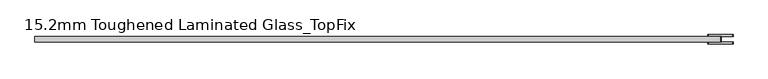
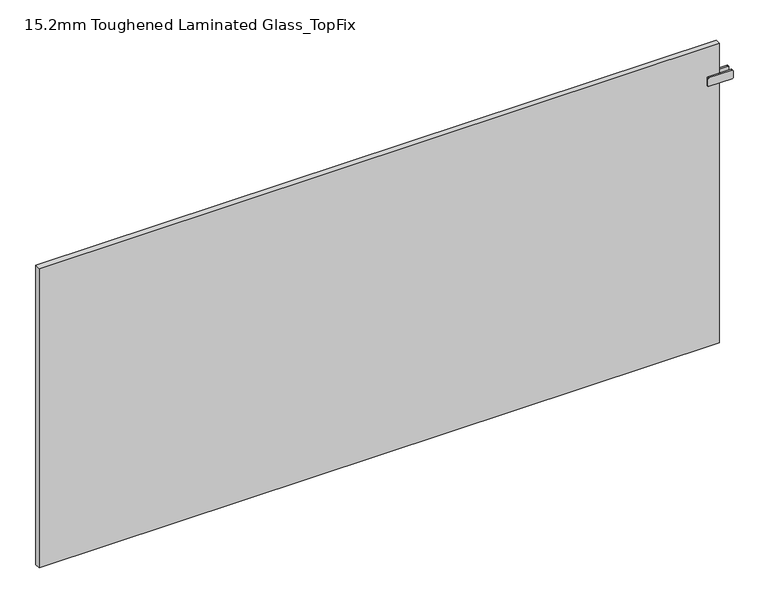
"""IFC4 building model written with IfcOpenShell, lengths in millimetres: plate geometry, 15.2mm Toughened Laminated Glass_TopFix."""

from ifc_helpers import new_model, si_unit, point, frame, frame_2d, origin, origin_with_axes, place, context, project, spatial, polyline, circle_curve, trimmed, segment, composite_curve, outline, extrude, source, transform, mapped, element, save


def plate_15_2mm_toughened_laminated_glass_topfix_6872a89c(model_context):
    return source(origin(), model_context, "Body", "SweptSolid", [
        extrude(outline(polyline([(947.5000001, -7.6), (942.5000001, -7.6), (942.5000001, 7.6), (947.5000001, 7.6), (947.5000001, -7.6)])), frame((0.0, 0.0, 766.5), z_axis=(0.0, 0.0, 1.0), x_axis=(1.0, 0.0, 0.0)), (0.0, 0.0, 1.0), 25.0),
        extrude(outline(composite_curve([segment(polyline([(766.5, 913.0000001), (766.5, 977.0000001)]), True, "CONTINUOUS"), segment(trimmed(circle_curve(frame_2d((769.5, 977.0000001)), 3.0), [point((766.5, 977.0000001))], [point((769.5, 980.0000001))], False, "CARTESIAN"), True, "CONTINUOUS"), segment(polyline([(769.5, 980.0000001), (788.5, 980.0000001)]), True, "CONTINUOUS"), segment(trimmed(circle_curve(frame_2d((788.5, 977.0000001)), 3.0), [point((788.5, 980.0000001))], [point((791.5, 977.0000001))], False, "CARTESIAN"), True, "CONTINUOUS"), segment(polyline([(791.5, 977.0000001), (791.5, 913.0000001)]), True, "CONTINUOUS"), segment(trimmed(circle_curve(frame_2d((788.5, 913.0000001)), 3.0), [point((791.5, 913.0000001))], [point((788.5, 910.0000001))], False, "CARTESIAN"), True, "CONTINUOUS"), segment(polyline([(788.5, 910.0000001), (769.5, 910.0000001)]), True, "CONTINUOUS"), segment(trimmed(circle_curve(frame_2d((769.5, 913.0000001)), 3.0), [point((769.5, 910.0000001))], [point((766.5, 913.0000001))], False, "CARTESIAN"), True, "CONTINUOUS")], self_intersect=False)), frame((0.0, 7.6, 0.0), z_axis=(0.0, 1.0, 0.0), x_axis=(0.0, 0.0, 1.0)), (0.0, 0.0, 1.0), 5.0),
        extrude(outline(composite_curve([segment(polyline([(766.5, 913.0000001), (766.5, 977.0000001)]), True, "CONTINUOUS"), segment(trimmed(circle_curve(frame_2d((769.5, 977.0000001)), 3.0), [point((766.5, 977.0000001))], [point((769.5, 980.0000001))], False, "CARTESIAN"), True, "CONTINUOUS"), segment(polyline([(769.5, 980.0000001), (788.5, 980.0000001)]), True, "CONTINUOUS"), segment(trimmed(circle_curve(frame_2d((788.5, 977.0000001)), 3.0), [point((788.5, 980.0000001))], [point((791.5, 977.0000001))], False, "CARTESIAN"), True, "CONTINUOUS"), segment(polyline([(791.5, 977.0000001), (791.5, 913.0000001)]), True, "CONTINUOUS"), segment(trimmed(circle_curve(frame_2d((788.5, 913.0000001)), 3.0), [point((791.5, 913.0000001))], [point((788.5, 910.0000001))], False, "CARTESIAN"), True, "CONTINUOUS"), segment(polyline([(788.5, 910.0000001), (769.5, 910.0000001)]), True, "CONTINUOUS"), segment(trimmed(circle_curve(frame_2d((769.5, 913.0000001)), 3.0), [point((769.5, 910.0000001))], [point((766.5, 913.0000001))], False, "CARTESIAN"), True, "CONTINUOUS")], self_intersect=False)), frame((0.0, -12.6, 0.0), z_axis=(0.0, 1.0, 0.0), x_axis=(0.0, 0.0, 1.0)), (0.0, 0.0, 1.0), 5.0),
        extrude(outline(polyline([(945.0000001, 7.6), (945.0000001, -7.6), (-945.0000001, -7.6), (-945.0000001, 7.6), (945.0000001, 7.6)])), origin_with_axes(), (0.0, 0.0, 1.0), 879.0),
    ])


if __name__ == "__main__":
    model = new_model("IFC4")
    model_context = context("Model", 3, world=origin())
    ifc_project = project(units=[si_unit("LENGTHUNIT", "METRE", prefix="MILLI")], contexts=[model_context])
    site = spatial("IfcSite", under=ifc_project)
    building = spatial("IfcBuilding", under=site)
    placement = place(None, origin())
    plate_15_2mm_toughened_laminated_glass_topfix_shape = plate_15_2mm_toughened_laminated_glass_topfix_6872a89c(model_context)
    element("IfcPlate", 1, ObjectType="15.2mm Toughened Laminated Glass_TopFix", at=placement, inside=building, context=model_context, shape_type="MappedRepresentation", body=[
        mapped(plate_15_2mm_toughened_laminated_glass_topfix_shape, transform((0.0, 0.0, 0.0), x_axis=(1.0, 0.0, 0.0), y_axis=(0.0, 1.0, 0.0), z_axis=(0.0, 0.0, 1.0))),
    ])
    save(model, "model.ifc")
